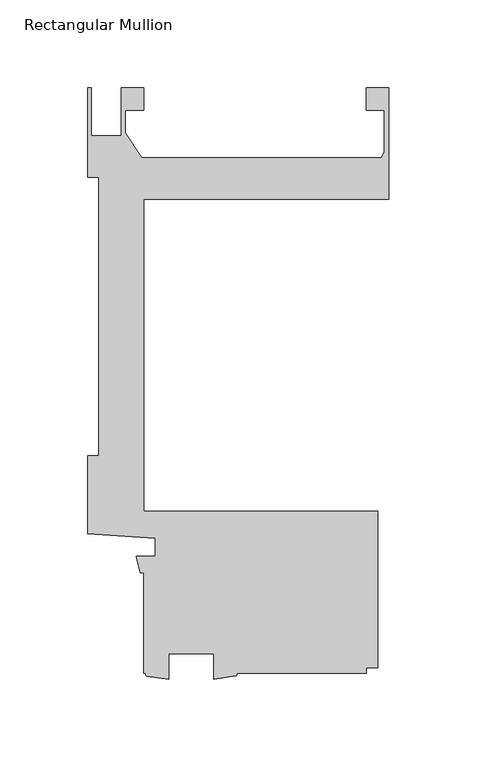
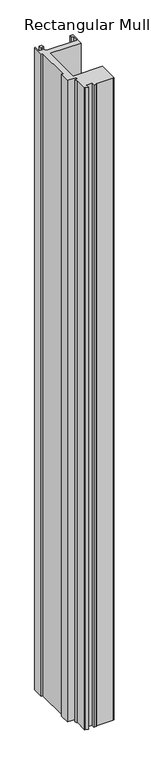
"""IFC4 building model written with IfcOpenShell, lengths in millimetres: member geometry, Rectangular Mullion."""

from ifc_helpers import new_model, si_unit, point, frame, frame_2d, origin, place, context, project, spatial, polyline, circle_curve, trimmed, segment, composite_curve, outline, extrude, source, transform, mapped, element, save


def rectangular_mullion_7e598f0d(model_context):
    return source(origin(), model_context, "Body", "SweptSolid", [
        extrude(outline(composite_curve([segment(polyline([(0.0, 254.1118031), (0.0, 190.5864031), (-139.7010309, 190.5864031), (-139.7010309, 12.7864031), (-6.3510934, 12.7864031), (-6.3510934, -76.1135699), (-12.7010309, -76.1135699), (-12.7010309, -79.2887239), (-87.0262183, -79.2887239)]), True, "CONTINUOUS"), segment(trimmed(circle_curve(frame_2d((-87.4314777, -80.081672)), 0.8905065), [point((-87.0262183, -79.2887239))], [point((-87.0262183, -80.8746201))], False, "CARTESIAN"), True, "CONTINUOUS"), segment(polyline([(-87.0262183, -80.8746201), (-99.7975059, -82.6847239), (-99.7975059, -68.1762239), (-125.1975059, -68.1762239), (-125.1975059, -82.8082456), (-137.9705587, -80.9521283)]), True, "CONTINUOUS"), segment(trimmed(circle_curve(frame_2d((-137.4475657, -80.1204261)), 0.9824715), [point((-137.9705587, -80.9521283))], [point((-137.9705587, -79.2887239))], False, "CARTESIAN"), True, "CONTINUOUS"), segment(polyline([(-137.9705587, -79.2887239), (-139.7010309, -79.2887239), (-139.7010309, -22.1385969), (-141.4322951, -22.1385969), (-143.8744778, -12.6135969), (-133.0838609, -12.6135969), (-133.0838609, -2.4535969), (-171.4509973, 0.2041036), (-171.4509973, 44.5364031), (-165.3339382, 44.5364031), (-165.3339382, 203.2864028), (-171.4499999, 203.2864028), (-171.4499999, 254.0864028), (-169.4179999, 254.0864028), (-169.4179999, 226.9266022), (-152.5173426, 226.9266022), (-152.5173426, 254.0864028), (-139.6770294, 254.0864028), (-139.6770294, 241.4118031), (-149.9773426, 241.4118031), (-149.9773426, 228.3809484), (-140.6789127, 214.3862028), (-4.3676768, 214.3862028)]), True, "CONTINUOUS"), segment(trimmed(circle_curve(frame_2d((-8.89, 218.8439031)), 6.35), [point((-4.3676768, 214.3862028))], [point((-2.54, 218.8439031))], True, "CARTESIAN"), True, "CONTINUOUS"), segment(polyline([(-2.54, 218.8439031), (-2.54, 241.4118031), (-12.720056, 241.4118031), (-12.720056, 254.1118031), (0.0, 254.1118031)]), True, "CONTINUOUS")], self_intersect=False)), frame((0.0, 0.0, -3048.0), z_axis=(0.0, 0.0, 1.0), x_axis=(1.0, 0.0, 0.0)), (0.0, 0.0, 1.0), 3048.0),
    ])


if __name__ == "__main__":
    model = new_model("IFC4")
    model_context = context("Model", 3, world=origin())
    ifc_project = project(units=[si_unit("LENGTHUNIT", "METRE", prefix="MILLI")], contexts=[model_context])
    site = spatial("IfcSite", under=ifc_project)
    building = spatial("IfcBuilding", under=site)
    placement = place(None, origin())
    rectangular_mullion_shape = rectangular_mullion_7e598f0d(model_context)
    element("IfcMember", 1, ObjectType="Rectangular Mullion", at=placement, inside=building, context=model_context, shape_type="MappedRepresentation", body=[
        mapped(rectangular_mullion_shape, transform((0.0, 0.0, 0.0), x_axis=(1.0, 0.0, 0.0), y_axis=(0.0, 1.0, 0.0), z_axis=(0.0, 0.0, 1.0))),
    ])
    save(model, "model.ifc")
